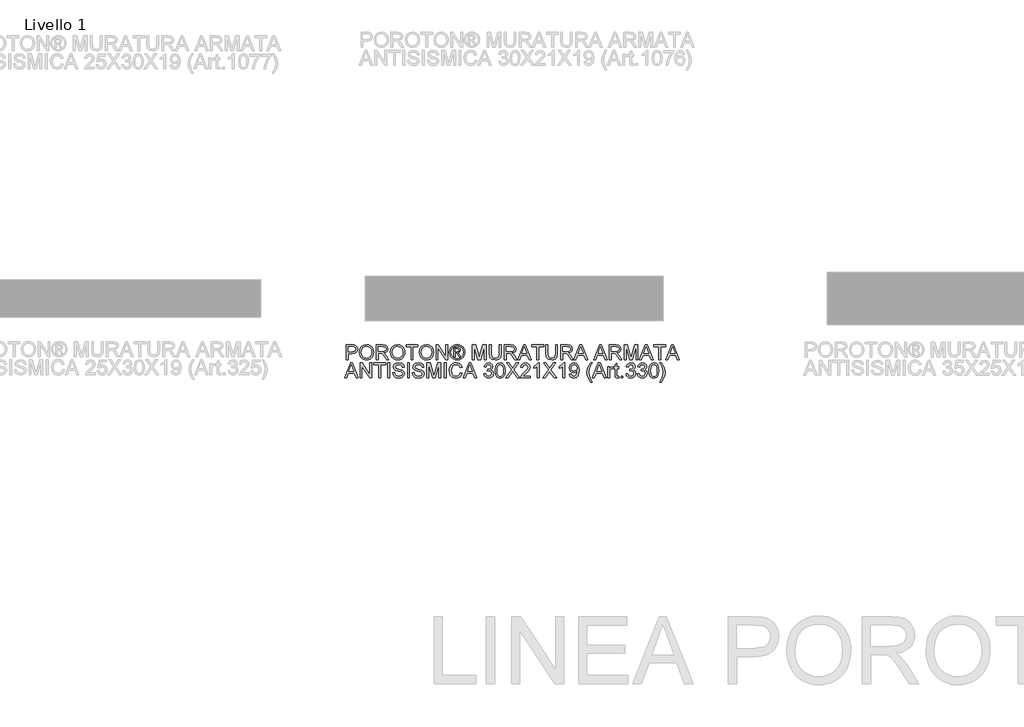
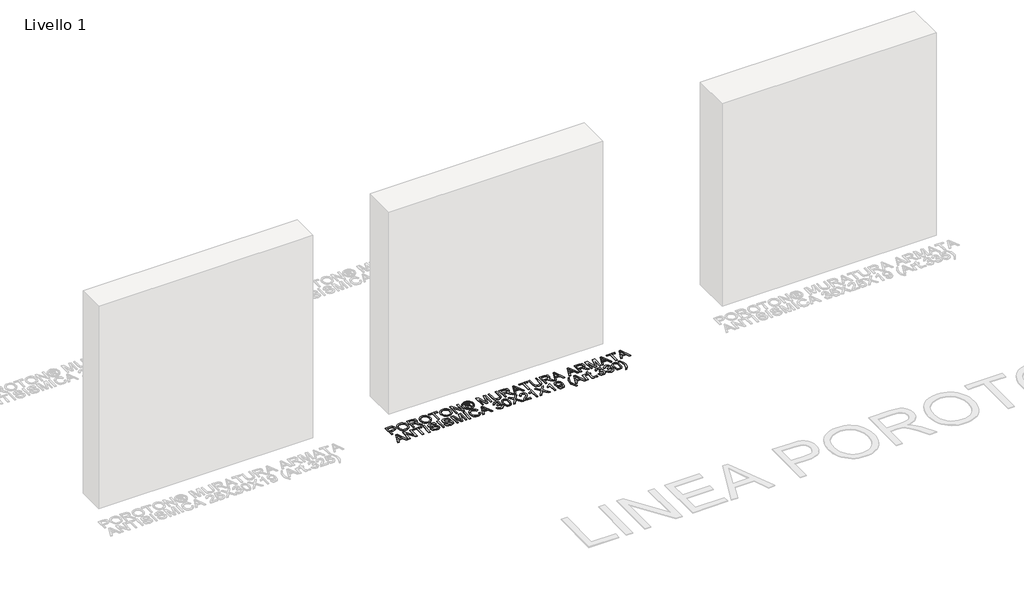
# One storey, part 2 of 8: 1 proxy.
"""IFC4 building model written with IfcOpenShell, lengths in millimetres."""

from ifc_helpers import new_model, si_unit, origin, origin_with_axes, place, context, project, spatial, polyline, outline, extrude, element, save

model = new_model("IFC4")

# Units and contexts
model_context = context("Model", 3, world=origin())
ifc_project = project(units=[si_unit("LENGTHUNIT", "METRE", prefix="MILLI")], contexts=[model_context])

# Site, building, storey
site = spatial("IfcSite", under=ifc_project)
building = spatial("IfcBuilding", under=site)
storey = spatial("IfcBuildingStorey", under=building, Name="Livello 1", Elevation=0.0)

# Proxy
placement = place(None, origin())
element("IfcBuildingElementProxy", 1, Name="100", ObjectType="100", at=placement, inside=storey, context=model_context, shape_type="SweptSolid", body=[
    extrude(outline(polyline([(-4694.8007703, -919.6439944), (-4694.8007703, -819.1876843), (-4657.5711124, -819.1876843), (-4642.561527, -820.1441775), (-4630.3601075, -824.8408043), (-4622.4506446, -834.5528889), (-4619.4585377, -848.2503619), (-4621.478823, -860.0900308), (-4627.5396788, -869.9553996), (-4638.87351, -876.6140637), (-4656.712721, -878.8336184), (-4682.2437315, -878.8336184), (-4682.2437315, -919.6439944), (-4694.8007703, -919.6439944)]), holes=[polyline([(-4682.2437315, -866.2765797), (-4655.976957, -866.2765797), (-4637.4847554, -861.665792), (-4633.3828712, -856.1169052), (-4632.0155764, -848.6918203), (-4635.2406753, -838.2930226), (-4643.7142239, -832.6031144), (-4656.2712626, -831.744723), (-4682.2437315, -831.744723), (-4682.2437315, -866.2765797)])]), origin_with_axes(), (0.0, 0.0, 1.0), 5.0),
    extrude(outline(polyline([(-4606.9014989, -870.7402145), (-4603.5537727, -848.5262734), (-4593.5105943, -831.7201976), (-4578.1760464, -821.1435902), (-4558.9542122, -817.6180544), (-4545.7779054, -819.2735234), (-4533.962762, -824.2399303), (-4524.1525754, -832.1677873), (-4516.9911393, -842.7076065), (-4512.6133435, -855.3504844), (-4511.1540783, -869.5875176), (-4512.6899856, -884.0146232), (-4517.2977076, -896.8353107), (-4524.7227925, -907.393524), (-4534.7107887, -915.0332068), (-4546.4247646, -919.6685199), (-4559.0277886, -921.2136243), (-4572.4064305, -919.5060387), (-4584.2890189, -914.3832819), (-4594.07468, -906.3082721), (-4601.1625398, -895.7439275), (-4606.9014989, -870.7402145)]), holes=[polyline([(-4594.3444601, -870.8628419), (-4591.8336655, -886.5775344), (-4584.3012817, -898.5520934), (-4572.9797133, -906.1304625), (-4559.101365, -908.6565855), (-4545.0206816, -906.105937), (-4533.6807191, -898.4539915), (-4526.2035176, -886.1115506), (-4523.711117, -869.4894157), (-4527.9785482, -848.7653967), (-4540.4497478, -835.0433983), (-4558.8806358, -830.1750932), (-4572.3880364, -832.5203409), (-4583.872086, -839.5560841), (-4591.7263666, -852.073269), (-4594.3444601, -870.8628419)])]), origin_with_axes(), (0.0, 0.0, 1.0), 5.0),
    extrude(outline(polyline([(-4493.88815, -919.6439944), (-4493.88815, -819.1876843), (-4450.6007019, -819.1876843), (-4430.5020822, -821.8977483), (-4419.5146733, -831.4872056), (-4415.4066577, -846.680732), (-4417.1081119, -856.5767577), (-4422.2124746, -864.7805262), (-4430.8730299, -870.7953968), (-4443.243062, -874.1247289), (-4436.1061513, -879.495806), (-4425.9280827, -892.4207268), (-4409.1771892, -919.6439944), (-4423.7698417, -919.6439944), (-4436.8419153, -898.8218735), (-4446.2842198, -885.0385614), (-4452.9183584, -878.5270501), (-4458.8903095, -876.1358171), (-4466.174373, -875.6943587), (-4481.3311112, -875.6943587), (-4481.3311112, -919.6439944), (-4493.88815, -919.6439944)]), holes=[polyline([(-4481.3311112, -863.13732), (-4453.2249268, -863.13732), (-4438.8897917, -861.3592237), (-4430.7473369, -855.6693155), (-4427.9636964, -847.1467159), (-4433.2734599, -836.0857306), (-4450.0611416, -831.744723), (-4481.3311112, -831.744723), (-4481.3311112, -863.13732)])]), origin_with_axes(), (0.0, 0.0, 1.0), 5.0),
    extrude(outline(polyline([(-4398.1407294, -870.7402145), (-4394.7930032, -848.5262734), (-4384.7498247, -831.7201976), (-4369.4152769, -821.1435902), (-4350.1934427, -817.6180544), (-4337.0171359, -819.2735234), (-4325.2019925, -824.2399303), (-4315.3918059, -832.1677873), (-4308.2303697, -842.7076065), (-4303.852574, -855.3504844), (-4302.3933088, -869.5875176), (-4303.9292161, -884.0146232), (-4308.5369381, -896.8353107), (-4315.962023, -907.393524), (-4325.9500192, -915.0332068), (-4337.663995, -919.6685199), (-4350.2670191, -921.2136243), (-4363.6456609, -919.5060387), (-4375.5282494, -914.3832819), (-4385.3139105, -906.3082721), (-4392.4017702, -895.7439275), (-4398.1407294, -870.7402145)]), holes=[polyline([(-4385.5836906, -870.8628419), (-4383.072896, -886.5775344), (-4375.5405121, -898.5520934), (-4364.2189437, -906.1304625), (-4350.3405955, -908.6565855), (-4336.2599121, -906.105937), (-4324.9199496, -898.4539915), (-4317.442748, -886.1115506), (-4314.9503475, -869.4894157), (-4319.2177787, -848.7653967), (-4331.6889783, -835.0433983), (-4350.1198663, -830.1750932), (-4363.6272668, -832.5203409), (-4375.1113165, -839.5560841), (-4382.9655971, -852.073269), (-4385.5836906, -870.8628419)])]), origin_with_axes(), (0.0, 0.0, 1.0), 5.0),
    extrude(outline(polyline([(-4260.0133029, -919.6439944), (-4260.0133029, -831.744723), (-4292.9755297, -831.744723), (-4292.9755297, -819.1876843), (-4214.4940374, -819.1876843), (-4214.4940374, -831.744723), (-4247.4562641, -831.744723), (-4247.4562641, -919.6439944), (-4260.0133029, -919.6439944)])), origin_with_axes(), (0.0, 0.0, 1.0), 5.0),
    extrude(outline(polyline([(-4205.0762583, -870.7402145), (-4201.7285321, -848.5262734), (-4191.6853537, -831.7201976), (-4176.3508058, -821.1435902), (-4157.1289716, -817.6180544), (-4143.9526648, -819.2735234), (-4132.1375214, -824.2399303), (-4122.3273348, -832.1677873), (-4115.1658987, -842.7076065), (-4110.7881029, -855.3504844), (-4109.3288377, -869.5875176), (-4110.864745, -884.0146232), (-4115.472467, -896.8353107), (-4122.8975519, -907.393524), (-4132.8855481, -915.0332068), (-4144.599524, -919.6685199), (-4157.202548, -921.2136243), (-4170.5811899, -919.5060387), (-4182.4637783, -914.3832819), (-4192.2494394, -906.3082721), (-4199.3372992, -895.7439275), (-4205.0762583, -870.7402145)]), holes=[polyline([(-4192.5192195, -870.8628419), (-4190.0084249, -886.5775344), (-4182.4760411, -898.5520934), (-4171.1544727, -906.1304625), (-4157.2761244, -908.6565855), (-4143.195441, -906.105937), (-4131.8554785, -898.4539915), (-4124.378277, -886.1115506), (-4121.8858765, -869.4894157), (-4126.1533076, -848.7653967), (-4138.6245072, -835.0433983), (-4157.0553952, -830.1750932), (-4170.5627958, -832.5203409), (-4182.0468454, -839.5560841), (-4189.901126, -852.073269), (-4192.5192195, -870.8628419)])]), origin_with_axes(), (0.0, 0.0, 1.0), 5.0),
    extrude(outline(polyline([(-4092.0629094, -919.6439944), (-4092.0629094, -819.1876843), (-4078.6229538, -819.1876843), (-4026.1384558, -898.7728226), (-4026.1384558, -819.1876843), (-4013.5814171, -819.1876843), (-4013.5814171, -919.6439944), (-4027.0213726, -919.6439944), (-4079.5058706, -840.0343307), (-4079.5058706, -919.6439944), (-4092.0629094, -919.6439944)])), origin_with_axes(), (0.0, 0.0, 1.0), 5.0),
    extrude(outline(polyline([(-3950.7716978, -817.6180544), (-3937.8774338, -819.2919175), (-3925.2897382, -824.3135067), (-3914.2318186, -832.4498302), (-3905.9268825, -843.467896), (-3900.7305494, -856.1904816), (-3898.9984383, -869.4403648), (-3900.7060239, -882.573752), (-3905.8287807, -895.1921045), (-3914.0325492, -906.1703164), (-3924.9831699, -914.3832819), (-3937.5923253, -919.5060387), (-3950.7716978, -921.2136243), (-3963.9326761, -919.5060387), (-3976.5357002, -914.3832819), (-3987.4955179, -906.1703164), (-3995.7268776, -895.1921045), (-4000.8772255, -882.573752), (-4002.5940081, -869.4403648), (-4000.8527, -856.1904816), (-3995.6287757, -843.467896), (-3987.2962485, -832.4498302), (-3976.2291318, -824.3135067), (-3963.6475676, -819.2919175), (-3950.7716978, -817.6180544)]), holes=[polyline([(-3950.7716978, -827.0358335), (-3971.5938187, -832.5172752), (-3980.622256, -839.179005), (-3987.4495327, -848.201311), (-3993.1762291, -869.4403648), (-3987.5598973, -890.4954777), (-3971.8390734, -906.1795134), (-3950.7716978, -911.7958452), (-3929.6920594, -906.1795134), (-3914.0080237, -890.4954777), (-3908.4162174, -869.4403648), (-3914.1061256, -848.201311), (-3920.9150082, -839.179005), (-3929.9618396, -832.5172752), (-3950.7716978, -827.0358335)])]), origin_with_axes(), (0.0, 0.0, 1.0), 5.0),
    extrude(outline(polyline([(-3974.3406709, -900.8084363), (-3974.3406709, -838.0232424), (-3954.0581103, -838.0232424), (-3938.9994739, -839.7522878), (-3931.5805203, -845.7855525), (-3928.8214054, -854.9458142), (-3933.5793459, -866.8651908), (-3946.1854356, -872.555099), (-3941.2803423, -875.8905625), (-3932.7209545, -888.4230758), (-3925.6821457, -900.8084363), (-3936.2771472, -900.8084363), (-3941.7953771, -890.8510969), (-3951.0414779, -876.4301227), (-3959.0613054, -874.1247289), (-3964.9228918, -874.1247289), (-3964.9228918, -900.8084363), (-3974.3406709, -900.8084363)]), holes=[polyline([(-3964.9228918, -864.7069498), (-3953.0035152, -864.7069498), (-3941.3539187, -862.3157168), (-3938.2391845, -855.9758838), (-3939.7352379, -851.4141471), (-3943.8923045, -848.4220402), (-3953.7638047, -847.4410215), (-3964.9228918, -847.4410215), (-3964.9228918, -864.7069498)])]), origin_with_axes(), (0.0, 0.0, 1.0), 5.0),
    extrude(outline(polyline([(-3848.7702832, -919.6439944), (-3848.7702832, -819.1876843), (-3827.1633474, -819.1876843), (-3806.6110066, -889.9927056), (-3802.4662028, -904.7815618), (-3797.9780424, -888.7664323), (-3777.7690582, -819.1876843), (-3756.1621223, -819.1876843), (-3756.1621223, -919.6439944), (-3768.7191611, -919.6439944), (-3768.7191611, -831.744723), (-3793.9558659, -919.6439944), (-3810.9765396, -919.6439944), (-3836.2132445, -831.744723), (-3836.2132445, -919.6439944), (-3848.7702832, -919.6439944)])), origin_with_axes(), (0.0, 0.0, 1.0), 5.0),
    extrude(outline(polyline([(-3668.2628509, -819.1876843), (-3655.7058122, -819.1876843), (-3655.7058122, -877.1413612), (-3659.114852, -901.1640555), (-3671.4021106, -915.6340807), (-3681.6660183, -919.8187384), (-3694.7013037, -921.2136243), (-3717.6448774, -916.3575819), (-3725.2845602, -910.413222), (-3730.3735945, -902.292227), (-3734.1873045, -877.1413612), (-3734.1873045, -819.1876843), (-3721.6302657, -819.1876843), (-3721.6302657, -876.6999029), (-3719.1531936, -895.8420293), (-3710.6428568, -905.3211221), (-3695.878526, -908.6565855), (-3683.1068894, -907.0072479), (-3674.6149467, -902.0592351), (-3669.8508749, -892.4207268), (-3668.2628509, -876.6999029), (-3668.2628509, -819.1876843)])), origin_with_axes(), (0.0, 0.0, 1.0), 5.0),
    extrude(outline(polyline([(-3633.7309943, -919.6439944), (-3633.7309943, -819.1876843), (-3590.4435462, -819.1876843), (-3570.3449265, -821.8977483), (-3559.3575176, -831.4872056), (-3555.249502, -846.680732), (-3556.9509562, -856.5767577), (-3562.0553189, -864.7805262), (-3570.7158742, -870.7953968), (-3583.0859063, -874.1247289), (-3575.9489956, -879.495806), (-3565.7709271, -892.4207268), (-3549.0200336, -919.6439944), (-3563.612686, -919.6439944), (-3576.6847596, -898.8218735), (-3586.1270641, -885.0385614), (-3592.7612028, -878.5270501), (-3598.7331538, -876.1358171), (-3606.0172173, -875.6943587), (-3621.1739555, -875.6943587), (-3621.1739555, -919.6439944), (-3633.7309943, -919.6439944)]), holes=[polyline([(-3621.1739555, -863.13732), (-3593.0677711, -863.13732), (-3578.732636, -861.3592237), (-3570.5901812, -855.6693155), (-3567.8065408, -847.1467159), (-3573.1163042, -836.0857306), (-3589.903986, -831.744723), (-3621.1739555, -831.744723), (-3621.1739555, -863.13732)])]), origin_with_axes(), (0.0, 0.0, 1.0), 5.0),
    extrude(outline(polyline([(-3544.9733316, -919.6439944), (-3504.8741941, -819.1876843), (-3494.1810908, -819.1876843), (-3454.0819533, -919.6439944), (-3467.3502306, -919.6439944), (-3478.8526743, -888.2513975), (-3520.2271361, -888.2513975), (-3531.7050543, -919.6439944), (-3544.9733316, -919.6439944)]), holes=[polyline([(-3515.6163484, -875.6943587), (-3483.4389366, -875.6943587), (-3492.4888336, -850.9972141), (-3499.5276425, -831.744723), (-3505.7816364, -848.8389731), (-3515.6163484, -875.6943587)])]), origin_with_axes(), (0.0, 0.0, 1.0), 5.0),
    extrude(outline(polyline([(-3415.5524457, -919.6439944), (-3415.5524457, -831.744723), (-3448.5146725, -831.744723), (-3448.5146725, -819.1876843), (-3370.0331802, -819.1876843), (-3370.0331802, -831.744723), (-3402.9954069, -831.744723), (-3402.9954069, -919.6439944), (-3415.5524457, -919.6439944)])), origin_with_axes(), (0.0, 0.0, 1.0), 5.0),
    extrude(outline(polyline([(-3289.982058, -819.1876843), (-3277.4250193, -819.1876843), (-3277.4250193, -877.1413612), (-3280.8340591, -901.1640555), (-3293.1213177, -915.6340807), (-3303.3852254, -919.8187384), (-3316.4205107, -921.2136243), (-3339.3640845, -916.3575819), (-3347.0037673, -910.413222), (-3352.0928015, -902.292227), (-3355.9065116, -877.1413612), (-3355.9065116, -819.1876843), (-3343.3494728, -819.1876843), (-3343.3494728, -876.6999029), (-3340.8724007, -895.8420293), (-3332.3620639, -905.3211221), (-3317.5977331, -908.6565855), (-3304.8260965, -907.0072479), (-3296.3341538, -902.0592351), (-3291.570082, -892.4207268), (-3289.982058, -876.6999029), (-3289.982058, -819.1876843)])), origin_with_axes(), (0.0, 0.0, 1.0), 5.0),
    extrude(outline(polyline([(-3255.4502014, -919.6439944), (-3255.4502014, -819.1876843), (-3212.1627533, -819.1876843), (-3192.0641336, -821.8977483), (-3181.0767247, -831.4872056), (-3176.9687091, -846.680732), (-3178.6701633, -856.5767577), (-3183.774526, -864.7805262), (-3192.4350813, -870.7953968), (-3204.8051134, -874.1247289), (-3197.6682027, -879.495806), (-3187.4901342, -892.4207268), (-3170.7392407, -919.6439944), (-3185.3318931, -919.6439944), (-3198.4039667, -898.8218735), (-3207.8462712, -885.0385614), (-3214.4804099, -878.5270501), (-3220.4523609, -876.1358171), (-3227.7364244, -875.6943587), (-3242.8931626, -875.6943587), (-3242.8931626, -919.6439944), (-3255.4502014, -919.6439944)]), holes=[polyline([(-3242.8931626, -863.13732), (-3214.7869782, -863.13732), (-3200.4518431, -861.3592237), (-3192.3093883, -855.6693155), (-3189.5257479, -847.1467159), (-3194.8355113, -836.0857306), (-3211.6231931, -831.744723), (-3242.8931626, -831.744723), (-3242.8931626, -863.13732)])]), origin_with_axes(), (0.0, 0.0, 1.0), 5.0),
    extrude(outline(polyline([(-3166.6925387, -919.6439944), (-3126.5934012, -819.1876843), (-3115.9002979, -819.1876843), (-3075.8011604, -919.6439944), (-3089.0694377, -919.6439944), (-3100.5718814, -888.2513975), (-3141.9463432, -888.2513975), (-3153.4242614, -919.6439944), (-3166.6925387, -919.6439944)]), holes=[polyline([(-3137.3355555, -875.6943587), (-3105.1581436, -875.6943587), (-3114.2080407, -850.9972141), (-3121.2468496, -831.744723), (-3127.5008435, -848.8389731), (-3137.3355555, -875.6943587)])]), origin_with_axes(), (0.0, 0.0, 1.0), 5.0),
    extrude(outline(polyline([(-3034.8436316, -919.6439944), (-2994.7444942, -819.1876843), (-2984.0513908, -819.1876843), (-2943.9522534, -919.6439944), (-2957.2205307, -919.6439944), (-2968.7229744, -888.2513975), (-3010.0974361, -888.2513975), (-3021.5753543, -919.6439944), (-3034.8436316, -919.6439944)]), holes=[polyline([(-3005.4866484, -875.6943587), (-2973.3092366, -875.6943587), (-2982.3591337, -850.9972141), (-2989.3979425, -831.744723), (-2995.6519364, -848.8389731), (-3005.4866484, -875.6943587)])]), origin_with_axes(), (0.0, 0.0, 1.0), 5.0),
    extrude(outline(polyline([(-2930.5368233, -919.6439944), (-2930.5368233, -819.1876843), (-2887.2493752, -819.1876843), (-2867.1507555, -821.8977483), (-2856.1633466, -831.4872056), (-2852.055331, -846.680732), (-2853.7567852, -856.5767577), (-2858.8611479, -864.7805262), (-2867.5217032, -870.7953968), (-2879.8917353, -874.1247289), (-2872.7548246, -879.495806), (-2862.576756, -892.4207268), (-2845.8258625, -919.6439944), (-2860.418515, -919.6439944), (-2873.4905886, -898.8218735), (-2882.9328931, -885.0385614), (-2889.5670317, -878.5270501), (-2895.5389828, -876.1358171), (-2902.8230463, -875.6943587), (-2917.9797845, -875.6943587), (-2917.9797845, -919.6439944), (-2930.5368233, -919.6439944)]), holes=[polyline([(-2917.9797845, -863.13732), (-2889.8736001, -863.13732), (-2875.538465, -861.3592237), (-2867.3960102, -855.6693155), (-2864.6123697, -847.1467159), (-2869.9221332, -836.0857306), (-2886.7098149, -831.744723), (-2917.9797845, -831.744723), (-2917.9797845, -863.13732)])]), origin_with_axes(), (0.0, 0.0, 1.0), 5.0),
    extrude(outline(polyline([(-2830.0805131, -919.6439944), (-2830.0805131, -819.1876843), (-2808.4735773, -819.1876843), (-2787.9212365, -889.9927056), (-2783.7764327, -904.7815618), (-2779.2882723, -888.7664323), (-2759.0792881, -819.1876843), (-2737.4723522, -819.1876843), (-2737.4723522, -919.6439944), (-2750.029391, -919.6439944), (-2750.029391, -831.744723), (-2775.2660958, -919.6439944), (-2792.2867695, -919.6439944), (-2817.5234744, -831.744723), (-2817.5234744, -919.6439944), (-2830.0805131, -919.6439944)])), origin_with_axes(), (0.0, 0.0, 1.0), 5.0),
    extrude(outline(polyline([(-2727.1961818, -919.6439944), (-2687.0970443, -819.1876843), (-2676.403941, -819.1876843), (-2636.3048035, -919.6439944), (-2649.5730808, -919.6439944), (-2661.0755245, -888.2513975), (-2702.4499863, -888.2513975), (-2713.9279045, -919.6439944), (-2727.1961818, -919.6439944)]), holes=[polyline([(-2697.8391986, -875.6943587), (-2665.6617867, -875.6943587), (-2674.7116838, -850.9972141), (-2681.7504927, -831.744723), (-2688.0044866, -848.8389731), (-2697.8391986, -875.6943587)])]), origin_with_axes(), (0.0, 0.0, 1.0), 5.0),
    extrude(outline(polyline([(-2597.7752959, -919.6439944), (-2597.7752959, -831.744723), (-2630.7375227, -831.744723), (-2630.7375227, -819.1876843), (-2552.2560304, -819.1876843), (-2552.2560304, -831.744723), (-2585.2182571, -831.744723), (-2585.2182571, -919.6439944), (-2597.7752959, -919.6439944)])), origin_with_axes(), (0.0, 0.0, 1.0), 5.0),
    extrude(outline(polyline([(-2549.8280092, -919.6439944), (-2509.7288717, -819.1876843), (-2499.0357684, -819.1876843), (-2458.9366309, -919.6439944), (-2472.2049082, -919.6439944), (-2483.7073519, -888.2513975), (-2525.0818137, -888.2513975), (-2536.5597319, -919.6439944), (-2549.8280092, -919.6439944)]), holes=[polyline([(-2520.471026, -875.6943587), (-2488.2936141, -875.6943587), (-2497.3435112, -850.9972141), (-2504.3823201, -831.744723), (-2510.636314, -848.8389731), (-2520.471026, -875.6943587)])]), origin_with_axes(), (0.0, 0.0, 1.0), 5.0),
    extrude(outline(polyline([(-4706.4994177, -1041.6188123), (-4666.4002802, -941.1625021), (-4655.7071769, -941.1625021), (-4615.6080394, -1041.6188123), (-4628.8763167, -1041.6188123), (-4640.3787605, -1010.2262153), (-4681.7532222, -1010.2262153), (-4693.2311404, -1041.6188123), (-4706.4994177, -1041.6188123)]), holes=[polyline([(-4677.1424345, -997.6691766), (-4644.9650227, -997.6691766), (-4654.0149197, -972.972032), (-4661.0537286, -953.7195409), (-4667.3077225, -970.8137909), (-4677.1424345, -997.6691766)])]), origin_with_axes(), (0.0, 0.0, 1.0), 5.0),
    extrude(outline(polyline([(-4602.1926094, -1041.6188123), (-4602.1926094, -941.1625021), (-4588.7526538, -941.1625021), (-4536.2681558, -1020.7476404), (-4536.2681558, -941.1625021), (-4523.711117, -941.1625021), (-4523.711117, -1041.6188123), (-4537.1510726, -1041.6188123), (-4589.6355706, -962.0091485), (-4589.6355706, -1041.6188123), (-4602.1926094, -1041.6188123)])), origin_with_axes(), (0.0, 0.0, 1.0), 5.0),
    extrude(outline(polyline([(-4476.6222217, -1041.6188123), (-4476.6222217, -953.7195409), (-4509.5844484, -953.7195409), (-4509.5844484, -941.1625021), (-4431.1029561, -941.1625021), (-4431.1029561, -953.7195409), (-4464.0651829, -953.7195409), (-4464.0651829, -1041.6188123), (-4476.6222217, -1041.6188123)])), origin_with_axes(), (0.0, 0.0, 1.0), 5.0),
    extrude(outline(polyline([(-4415.4066577, -1041.6188123), (-4415.4066577, -941.1625021), (-4402.8496189, -941.1625021), (-4402.8496189, -1041.6188123), (-4415.4066577, -1041.6188123)])), origin_with_axes(), (0.0, 0.0, 1.0), 5.0),
    extrude(outline(polyline([(-4382.4444309, -1007.0869557), (-4369.8873921, -1007.0869557), (-4365.8406902, -1019.6562572), (-4355.9569272, -1027.6025083), (-4340.8982909, -1030.6314033), (-4327.7771664, -1028.3382722), (-4319.3036178, -1022.0352274), (-4316.5199774, -1013.6107297), (-4318.604642, -1005.7748432), (-4327.1395043, -1000.0726723), (-4345.4232395, -995.2779436), (-4365.1049262, -989.0852634), (-4375.7857668, -979.7410607), (-4379.3051712, -967.2575983), (-4374.9519009, -953.0450906), (-4362.2354466, -943.0141748), (-4343.6206177, -939.5928723), (-4323.7549899, -943.1735904), (-4310.5112381, -953.6950154), (-4305.5325684, -969.4158393), (-4318.0896072, -969.4158393), (-4320.395001, -961.9233094), (-4325.2019925, -956.5154441), (-4343.1301083, -952.149911), (-4361.1072752, -956.4663931), (-4366.7481324, -966.8897163), (-4362.7504814, -975.5962569), (-4342.2471916, -982.6105402), (-4320.0271191, -988.9135851), (-4307.8747505, -999.0916536), (-4303.9629386, -1013.2918986), (-4308.4633617, -1028.3137468), (-4321.4128079, -1039.2766302), (-4340.4077816, -1043.1884421), (-4362.8363206, -1038.9700619), (-4377.0243028, -1026.2658703), (-4382.4444309, -1007.0869557)])), origin_with_axes(), (0.0, 0.0, 1.0), 5.0),
    extrude(outline(polyline([(-4283.5577506, -1041.6188123), (-4283.5577506, -941.1625021), (-4271.0007118, -941.1625021), (-4271.0007118, -1041.6188123), (-4283.5577506, -1041.6188123)])), origin_with_axes(), (0.0, 0.0, 1.0), 5.0),
    extrude(outline(polyline([(-4250.5955238, -1007.0869557), (-4238.0384851, -1007.0869557), (-4233.9917831, -1019.6562572), (-4224.1080202, -1027.6025083), (-4209.0493838, -1030.6314033), (-4195.9282593, -1028.3382722), (-4187.4547107, -1022.0352274), (-4184.6710703, -1013.6107297), (-4186.7557349, -1005.7748432), (-4195.2905972, -1000.0726723), (-4213.5743324, -995.2779436), (-4233.2560191, -989.0852634), (-4243.9368597, -979.7410607), (-4247.4562641, -967.2575983), (-4243.1029939, -953.0450906), (-4230.3865396, -943.0141748), (-4211.7717106, -939.5928723), (-4191.9060829, -943.1735904), (-4178.662331, -953.6950154), (-4173.6836614, -969.4158393), (-4186.2407001, -969.4158393), (-4188.546094, -961.9233094), (-4193.3530854, -956.5154441), (-4211.2812013, -952.149911), (-4229.2583681, -956.4663931), (-4234.8992254, -966.8897163), (-4230.9015744, -975.5962569), (-4210.3982845, -982.6105402), (-4188.178212, -988.9135851), (-4176.0258434, -999.0916536), (-4172.1140315, -1013.2918986), (-4176.6144546, -1028.3137468), (-4189.5639008, -1039.2766302), (-4208.5588745, -1043.1884421), (-4230.9874135, -1038.9700619), (-4245.1753958, -1026.2658703), (-4250.5955238, -1007.0869557)])), origin_with_axes(), (0.0, 0.0, 1.0), 5.0),
    extrude(outline(polyline([(-4153.2784734, -1041.6188123), (-4153.2784734, -941.1625021), (-4131.6715375, -941.1625021), (-4111.1191967, -1011.9675235), (-4106.9743929, -1026.7563797), (-4102.4862326, -1010.7412501), (-4082.2772483, -941.1625021), (-4060.6703125, -941.1625021), (-4060.6703125, -1041.6188123), (-4073.2273512, -1041.6188123), (-4073.2273512, -953.7195409), (-4098.4640561, -1041.6188123), (-4115.4847297, -1041.6188123), (-4140.7214346, -953.7195409), (-4140.7214346, -1041.6188123), (-4153.2784734, -1041.6188123)])), origin_with_axes(), (0.0, 0.0, 1.0), 5.0),
    extrude(outline(polyline([(-4037.1258648, -1041.6188123), (-4037.1258648, -941.1625021), (-4024.568826, -941.1625021), (-4024.568826, -1041.6188123), (-4037.1258648, -1041.6188123)])), origin_with_axes(), (0.0, 0.0, 1.0), 5.0),
    extrude(outline(polyline([(-3928.8214054, -1005.9097333), (-3916.2643666, -1009.1470948), (-3922.058508, -1023.7796012), (-3931.1513247, -1034.4696388), (-3943.0952268, -1041.0087413), (-3957.4426246, -1043.1884421), (-3972.0076859, -1041.5391045), (-3983.574509, -1036.5910917), (-3992.4404651, -1028.5160819), (-3998.9029255, -1017.4857534), (-4004.163638, -990.6303677), (-4002.6767816, -975.982533), (-3998.2162124, -963.3335237), (-3991.0149223, -953.0849444), (-3981.3059034, -945.6383997), (-3969.7911969, -941.1042541), (-3957.1728445, -939.5928723), (-3943.4048608, -941.5487782), (-3932.0219787, -947.416496), (-3923.3798175, -956.8342751), (-3917.8339965, -969.4403648), (-3930.3910352, -972.4324717), (-3940.6917311, -956.9936906), (-3957.6633538, -952.149911), (-3977.3082523, -957.5209882), (-3988.4060259, -971.9419624), (-3991.6065992, -990.6058423), (-3987.8174147, -1012.2373036), (-3976.0206654, -1026.0574039), (-3958.6934234, -1030.6314033), (-3948.2118522, -1029.0740362), (-3939.4777205, -1024.4019349), (-3932.8834357, -1016.6641503), (-3928.8214054, -1005.9097333)])), origin_with_axes(), (0.0, 0.0, 1.0), 5.0),
    extrude(outline(polyline([(-3910.6970858, -1041.6188123), (-3870.5979483, -941.1625021), (-3859.904845, -941.1625021), (-3819.8057075, -1041.6188123), (-3833.0739848, -1041.6188123), (-3844.5764285, -1010.2262153), (-3885.9508902, -1010.2262153), (-3897.4288085, -1041.6188123), (-3910.6970858, -1041.6188123)]), holes=[polyline([(-3881.3401025, -997.6691766), (-3849.1626907, -997.6691766), (-3858.2125878, -972.972032), (-3865.2513966, -953.7195409), (-3871.5053905, -970.8137909), (-3881.3401025, -997.6691766)])]), origin_with_axes(), (0.0, 0.0, 1.0), 5.0),
    extrude(outline(polyline([(-3771.8584208, -1014.9351049), (-3759.301382, -1013.365475), (-3752.3729378, -1026.5847014), (-3739.4112288, -1030.6314033), (-3730.8027901, -1029.2395831), (-3724.1563887, -1025.0641225), (-3718.491006, -1011.2808104), (-3724.1073378, -998.294576), (-3738.3811592, -993.1564908), (-3747.1858016, -994.5299169), (-3745.78785, -981.9728781), (-3743.7767618, -982.1200309), (-3729.5274659, -978.5147874), (-3724.7817881, -973.9407879), (-3723.1998955, -967.4292766), (-3727.7861578, -957.6068273), (-3739.6074325, -953.7195409), (-3751.5758601, -957.6436155), (-3757.7317522, -969.4158393), (-3770.2887909, -967.8462095), (-3766.5915769, -956.5706264), (-3760.0126205, -948.15226), (-3751.0117744, -942.9099416), (-3740.0488909, -941.1625021), (-3724.9044155, -944.6083301), (-3714.309414, -954.0261092), (-3710.6428568, -966.6935126), (-3714.125473, -978.2695327), (-3724.4261689, -986.5836658), (-3710.7409586, -995.167579), (-3705.9339672, -1011.5015396), (-3708.3374629, -1023.7397473), (-3715.54795, -1033.9668668), (-3726.4311257, -1040.8830483), (-3739.8526872, -1043.1884421), (-3751.992793, -1041.2202734), (-3761.876556, -1035.3157674), (-3768.7498179, -1026.2842644), (-3771.8584208, -1014.9351049)])), origin_with_axes(), (0.0, 0.0, 1.0), 5.0),
    extrude(outline(polyline([(-3694.9465583, -992.1999976), (-3691.2554756, -963.2967355), (-3680.2925922, -946.6316811), (-3661.9843315, -941.1625021), (-3647.3181027, -944.3998637), (-3637.1890851, -953.7318036), (-3631.3029731, -968.5942362), (-3629.0221048, -992.1999976), (-3632.6763993, -1020.9806323), (-3643.6024945, -1037.6824749), (-3651.8338542, -1041.8119503), (-3661.9843315, -1043.1884421), (-3675.0318796, -1040.7972091), (-3684.940168, -1033.6235102), (-3692.4449607, -1016.6334934), (-3694.9465583, -992.1999976)]), holes=[polyline([(-3682.3895195, -992.1754721), (-3680.9179916, -1011.9276696), (-3676.5034076, -1023.3596026), (-3669.9305826, -1028.8134532), (-3661.9843315, -1030.6314033), (-3654.0380805, -1028.8073218), (-3647.4652555, -1023.3350771), (-3643.0506715, -1011.8970127), (-3641.5791435, -992.1754721), (-3643.0016206, -972.8677987), (-3647.2690517, -961.3469609), (-3653.829614, -955.6263959), (-3662.1314843, -953.7195409), (-3669.9918963, -955.3995353), (-3676.3072039, -960.4395187), (-3680.8689406, -972.6777264), (-3682.3895195, -992.1754721)])]), origin_with_axes(), (0.0, 0.0, 1.0), 5.0),
    extrude(outline(polyline([(-3624.3132152, -1041.6188123), (-3585.5875039, -986.8779714), (-3618.0346959, -941.1625021), (-3602.9760595, -941.1625021), (-3584.7045871, -966.8897163), (-3578.548695, -976.9206321), (-3571.3382079, -966.7180381), (-3553.2629392, -941.1625021), (-3537.9835737, -941.1625021), (-3570.4307657, -987.0251242), (-3531.7050543, -1041.6188123), (-3546.7636907, -1041.6188123), (-3572.5644813, -1005.2230202), (-3577.9355584, -997.6691766), (-3583.8461958, -1005.9587842), (-3609.0338497, -1041.6188123), (-3624.3132152, -1041.6188123)])), origin_with_axes(), (0.0, 0.0, 1.0), 5.0),
    extrude(outline(polyline([(-3459.5020814, -1029.0617735), (-3459.5020814, -1041.6188123), (-3525.4265349, -1041.6188123), (-3524.0776343, -1032.9613226), (-3516.4502143, -1019.6317317), (-3500.7293903, -1005.0758674), (-3479.0488781, -984.1556446), (-3473.62875, -969.9308741), (-3478.7423097, -958.4161677), (-3492.0964262, -953.7195409), (-3506.0146283, -958.3058031), (-3511.2998663, -970.9854692), (-3523.8569051, -969.4158393), (-3520.8126816, -957.2696021), (-3514.2306596, -948.3975147), (-3504.4541955, -942.9712553), (-3491.826646, -941.1625021), (-3479.1071261, -943.1735904), (-3469.3490561, -949.2068551), (-3463.1410475, -958.219964), (-3461.0717112, -969.1705847), (-3463.3035287, -981.0776986), (-3470.7224823, -993.3894827), (-3488.7119118, -1010.5940973), (-3503.1574115, -1022.6728895), (-3508.8227942, -1029.0617735), (-3459.5020814, -1029.0617735)])), origin_with_axes(), (0.0, 0.0, 1.0), 5.0),
    extrude(outline(polyline([(-3399.8561473, -1041.6188123), (-3412.413186, -1041.6188123), (-3412.413186, -963.3335237), (-3424.3080372, -971.8070723), (-3437.5272636, -978.1469054), (-3437.5272636, -966.2765797), (-3419.1209011, -954.5288813), (-3407.9495511, -941.1625021), (-3399.8561473, -941.1625021), (-3399.8561473, -1041.6188123)])), origin_with_axes(), (0.0, 0.0, 1.0), 5.0),
    extrude(outline(polyline([(-3376.3116996, -1041.6188123), (-3337.5859882, -986.8779714), (-3370.0331802, -941.1625021), (-3354.9745438, -941.1625021), (-3336.7030714, -966.8897163), (-3330.5471794, -976.9206321), (-3323.3366923, -966.7180381), (-3305.2614236, -941.1625021), (-3289.982058, -941.1625021), (-3322.42925, -987.0251242), (-3283.7035386, -1041.6188123), (-3298.762175, -1041.6188123), (-3324.5629656, -1005.2230202), (-3329.9340427, -997.6691766), (-3335.8446801, -1005.9587842), (-3361.032334, -1041.6188123), (-3376.3116996, -1041.6188123)])), origin_with_axes(), (0.0, 0.0, 1.0), 5.0),
    extrude(outline(polyline([(-3228.766494, -1041.6188123), (-3241.3235328, -1041.6188123), (-3241.3235328, -963.3335237), (-3253.218384, -971.8070723), (-3266.4376103, -978.1469054), (-3266.4376103, -966.2765797), (-3248.0312478, -954.5288813), (-3236.8598979, -941.1625021), (-3228.766494, -941.1625021), (-3228.766494, -1041.6188123)])), origin_with_axes(), (0.0, 0.0, 1.0), 5.0),
    extrude(outline(polyline([(-3197.3738971, -1016.5047347), (-3184.8168583, -1014.9351049), (-3179.1760011, -1026.9157952), (-3168.4828978, -1030.6314033), (-3158.317092, -1028.2401704), (-3151.4254359, -1021.8512864), (-3147.3174203, -1010.9374539), (-3145.5025358, -996.3693269), (-3145.5761122, -993.9167802), (-3155.6192907, -1003.4326612), (-3169.39034, -1007.0869557), (-3180.8406671, -1004.8551382), (-3190.3718765, -998.1596859), (-3196.8006143, -987.8160705), (-3198.943527, -974.6397637), (-3196.6963811, -961.0281299), (-3189.9549435, -950.359552), (-3179.8289916, -943.4617646), (-3167.4283027, -941.1625021), (-3149.536975, -946.4109519), (-3137.2251909, -961.3714864), (-3133.0190734, -989.4776708), (-3137.2129282, -1019.9750882), (-3142.4276554, -1029.9661501), (-3149.6841278, -1037.2532793), (-3158.6696455, -1041.7046514), (-3169.0715089, -1043.1884421), (-3179.8075318, -1041.437937), (-3188.373051, -1036.1864215), (-3194.3633961, -1027.7649895), (-3197.3738971, -1016.5047347)]), holes=[polyline([(-3145.5761122, -974.3454581), (-3146.9311442, -965.8351213), (-3150.9962402, -959.2868217), (-3157.3054165, -955.1113611), (-3165.392689, -953.7195409), (-3173.7803985, -955.21866), (-3180.5003763, -959.7160174), (-3184.9149602, -966.5984764), (-3186.3864882, -975.2529003), (-3184.994668, -983.0121448), (-3180.8192073, -989.1711025), (-3174.2647764, -993.1902133), (-3165.7360455, -994.5299169), (-3151.2537576, -989.1711025), (-3146.9955235, -982.7852842), (-3145.5761122, -974.3454581)])]), origin_with_axes(), (0.0, 0.0, 1.0), 5.0),
    extrude(outline(polyline([(-3054.5375811, -1069.8721495), (-3072.3675951, -1040.4170644), (-3077.8306428, -1023.2369752), (-3079.6516586, -1005.4437494), (-3074.2070051, -974.9095438), (-3054.5375811, -941.1625021), (-3045.119802, -941.1625021), (-3056.8675004, -961.0526553), (-3063.9308347, -980.3296719), (-3067.0946199, -1005.5173258), (-3061.6009154, -1037.7070004), (-3045.119802, -1069.8721495), (-3054.5375811, -1069.8721495)])), origin_with_axes(), (0.0, 0.0, 1.0), 5.0),
    extrude(outline(polyline([(-3042.6917809, -1041.6188123), (-3002.5926434, -941.1625021), (-2991.8995401, -941.1625021), (-2951.8004026, -1041.6188123), (-2965.0686799, -1041.6188123), (-2976.5711236, -1010.2262153), (-3017.9455853, -1010.2262153), (-3029.4235036, -1041.6188123), (-3042.6917809, -1041.6188123)]), holes=[polyline([(-3013.3347977, -997.6691766), (-2981.1573858, -997.6691766), (-2990.2072829, -972.972032), (-2997.2460917, -953.7195409), (-3003.5000856, -970.8137909), (-3013.3347977, -997.6691766)])]), origin_with_axes(), (0.0, 0.0, 1.0), 5.0),
    extrude(outline(polyline([(-2939.9546023, -1041.6188123), (-2939.9546023, -967.8462095), (-2928.9671934, -967.8462095), (-2928.9671934, -978.760042), (-2921.1680951, -968.7046008), (-2913.3199459, -966.2765797), (-2900.7138562, -970.1516033), (-2904.9077109, -981.4087924), (-2913.7368788, -978.8336184), (-2920.8370013, -981.3106905), (-2925.3619499, -988.1778211), (-2927.3975636, -1002.84405), (-2927.3975636, -1041.6188123), (-2939.9546023, -1041.6188123)])), origin_with_axes(), (0.0, 0.0, 1.0), 5.0),
    extrude(outline(polyline([(-2866.1819996, -1031.1464381), (-2864.6123697, -1041.9866943), (-2874.0056233, -1043.1884421), (-2884.5270484, -1041.1037775), (-2889.7754982, -1035.6345985), (-2891.2960771, -1021.3853025), (-2891.2960771, -980.4032483), (-2900.7138562, -980.4032483), (-2900.7138562, -967.8462095), (-2891.2960771, -967.8462095), (-2891.2960771, -949.9180936), (-2878.7390383, -942.5359282), (-2878.7390383, -967.8462095), (-2866.1819996, -967.8462095), (-2866.1819996, -980.4032483), (-2878.7390383, -980.4032483), (-2878.7390383, -1021.0174205), (-2878.0768508, -1027.4921437), (-2875.9308725, -1029.7852748), (-2871.6511786, -1030.6314033), (-2866.1819996, -1031.1464381)])), origin_with_axes(), (0.0, 0.0, 1.0), 5.0),
    extrude(outline(polyline([(-2850.4857011, -1041.6188123), (-2850.4857011, -1029.0617735), (-2837.9286624, -1029.0617735), (-2837.9286624, -1041.6188123), (-2850.4857011, -1041.6188123)])), origin_with_axes(), (0.0, 0.0, 1.0), 5.0),
    extrude(outline(polyline([(-2817.5234744, -1014.9351049), (-2804.9664356, -1013.365475), (-2798.0379913, -1026.5847014), (-2785.0762824, -1030.6314033), (-2776.4678437, -1029.2395831), (-2769.8214423, -1025.0641225), (-2764.1560596, -1011.2808104), (-2769.7723914, -998.294576), (-2784.0462128, -993.1564908), (-2792.8508552, -994.5299169), (-2791.4529036, -981.9728781), (-2789.4418154, -982.1200309), (-2775.1925194, -978.5147874), (-2770.4468417, -973.9407879), (-2768.8649491, -967.4292766), (-2773.4512113, -957.6068273), (-2785.2724861, -953.7195409), (-2797.2409137, -957.6436155), (-2803.3968057, -969.4158393), (-2815.9538445, -967.8462095), (-2812.2566305, -956.5706264), (-2805.6776741, -948.15226), (-2796.676828, -942.9099416), (-2785.7139445, -941.1625021), (-2770.569469, -944.6083301), (-2759.9744676, -954.0261092), (-2756.3079104, -966.6935126), (-2759.7905266, -978.2695327), (-2770.0912224, -986.5836658), (-2756.4060122, -995.167579), (-2751.5990208, -1011.5015396), (-2754.0025165, -1023.7397473), (-2761.2130036, -1033.9668668), (-2772.0961793, -1040.8830483), (-2785.5177408, -1043.1884421), (-2797.6578466, -1041.2202734), (-2807.5416095, -1035.3157674), (-2814.4148715, -1026.2842644), (-2817.5234744, -1014.9351049)])), origin_with_axes(), (0.0, 0.0, 1.0), 5.0),
    extrude(outline(polyline([(-2740.6116119, -1014.9351049), (-2728.0545731, -1013.365475), (-2721.1261289, -1026.5847014), (-2708.1644199, -1030.6314033), (-2699.5559812, -1029.2395831), (-2692.9095799, -1025.0641225), (-2687.2441971, -1011.2808104), (-2692.8605289, -998.294576), (-2707.1343503, -993.1564908), (-2715.9389928, -994.5299169), (-2714.5410412, -981.9728781), (-2712.5299529, -982.1200309), (-2698.280657, -978.5147874), (-2693.5349792, -973.9407879), (-2691.9530867, -967.4292766), (-2696.5393489, -957.6068273), (-2708.3606236, -953.7195409), (-2720.3290512, -957.6436155), (-2726.4849433, -969.4158393), (-2739.041982, -967.8462095), (-2735.344768, -956.5706264), (-2728.7658116, -948.15226), (-2719.7649655, -942.9099416), (-2708.802082, -941.1625021), (-2693.6576066, -944.6083301), (-2683.0626051, -954.0261092), (-2679.3960479, -966.6935126), (-2682.8786641, -978.2695327), (-2693.17936, -986.5836658), (-2679.4941498, -995.167579), (-2674.6871584, -1011.5015396), (-2677.0906541, -1023.7397473), (-2684.3011412, -1033.9668668), (-2695.1843169, -1040.8830483), (-2708.6058783, -1043.1884421), (-2720.7459842, -1041.2202734), (-2730.6297471, -1035.3157674), (-2737.503009, -1026.2842644), (-2740.6116119, -1014.9351049)])), origin_with_axes(), (0.0, 0.0, 1.0), 5.0),
    extrude(outline(polyline([(-2663.6997494, -992.1999976), (-2660.0086668, -963.2967355), (-2649.0457833, -946.6316811), (-2630.7375227, -941.1625021), (-2616.0712938, -944.3998637), (-2605.9422762, -953.7318036), (-2600.0561643, -968.5942362), (-2597.7752959, -992.1999976), (-2601.4295904, -1020.9806323), (-2612.3556856, -1037.6824749), (-2620.5870453, -1041.8119503), (-2630.7375227, -1043.1884421), (-2643.7850708, -1040.7972091), (-2653.6933592, -1033.6235102), (-2661.1981519, -1016.6334934), (-2663.6997494, -992.1999976)]), holes=[polyline([(-2651.1427107, -992.1754721), (-2649.6711827, -1011.9276696), (-2645.2565987, -1023.3596026), (-2638.6837738, -1028.8134532), (-2630.7375227, -1030.6314033), (-2622.7912716, -1028.8073218), (-2616.2184466, -1023.3350771), (-2611.8038626, -1011.8970127), (-2610.3323347, -992.1754721), (-2611.7548117, -972.8677987), (-2616.0222429, -961.3469609), (-2622.5828051, -955.6263959), (-2630.8846755, -953.7195409), (-2638.7450874, -955.3995353), (-2645.060395, -960.4395187), (-2649.6221318, -972.6777264), (-2651.1427107, -992.1754721)])]), origin_with_axes(), (0.0, 0.0, 1.0), 5.0),
    extrude(outline(polyline([(-2580.5093676, -1069.8721495), (-2589.9271467, -1069.8721495), (-2573.4460333, -1037.7070004), (-2567.9523288, -1005.5173258), (-2571.116114, -980.5504011), (-2578.1058719, -961.2488591), (-2589.9271467, -941.1625021), (-2580.5093676, -941.1625021), (-2560.8399436, -974.9095438), (-2555.3952901, -1005.4437494), (-2557.225503, -1023.2369752), (-2562.7161418, -1040.4170644), (-2580.5093676, -1069.8721495)])), origin_with_axes(), (0.0, 0.0, 1.0), 5.0),
])

save(model, "model.ifc")
